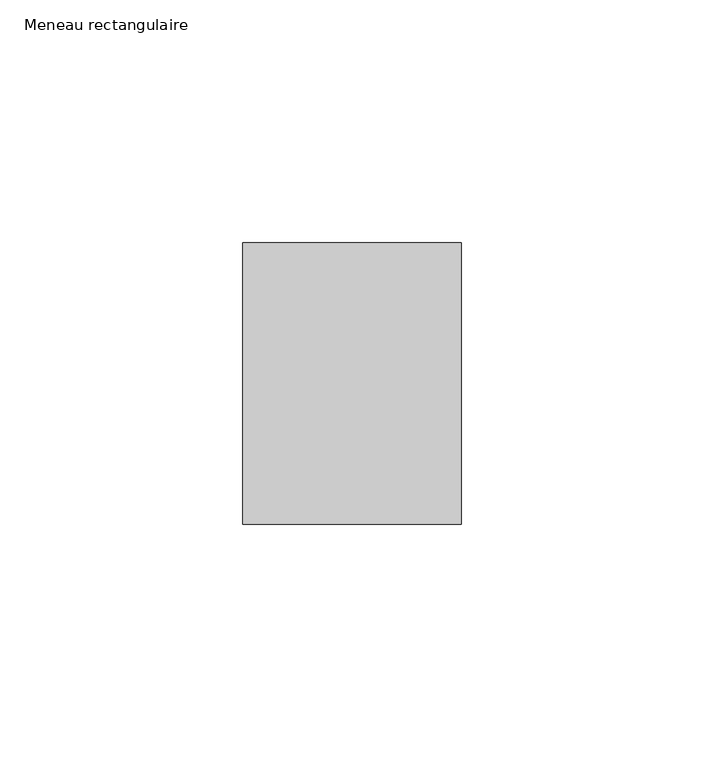
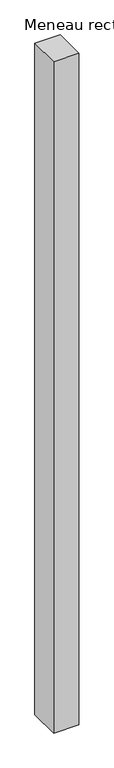
"""IFC4 building model written with IfcOpenShell, lengths in millimetres: member geometry, Meneau rectangulaire."""

from ifc_helpers import new_model, si_unit, frame, origin, place, context, project, spatial, polyline, outline, extrude, source, transform, mapped, element, save


def meneau_rectangulaire_7af6f13c(model_context):
    return source(origin(), model_context, "Body", "SweptSolid", [
        extrude(outline(polyline([(0.0, 29.0), (0.0, -29.0), (-45.0, -29.0), (-45.0, 29.0), (0.0, 29.0)])), frame((0.0, 0.0, -1272.3750002), z_axis=(0.0, 0.0, 1.0), x_axis=(1.0, 0.0, 0.0)), (0.0, 0.0, 1.0), 1272.3750002),
    ])


if __name__ == "__main__":
    model = new_model("IFC4")
    model_context = context("Model", 3, world=origin())
    ifc_project = project(units=[si_unit("LENGTHUNIT", "METRE", prefix="MILLI")], contexts=[model_context])
    site = spatial("IfcSite", under=ifc_project)
    building = spatial("IfcBuilding", under=site)
    placement = place(None, origin())
    meneau_rectangulaire_shape = meneau_rectangulaire_7af6f13c(model_context)
    element("IfcMember", 1, ObjectType="Meneau rectangulaire", at=placement, inside=building, context=model_context, shape_type="MappedRepresentation", body=[
        mapped(meneau_rectangulaire_shape, transform((0.0, 0.0, 0.0), x_axis=(1.0, 0.0, 0.0), y_axis=(0.0, 1.0, 0.0), z_axis=(0.0, 0.0, 1.0))),
    ])
    save(model, "model.ifc")
